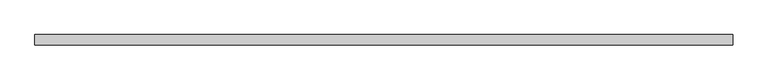
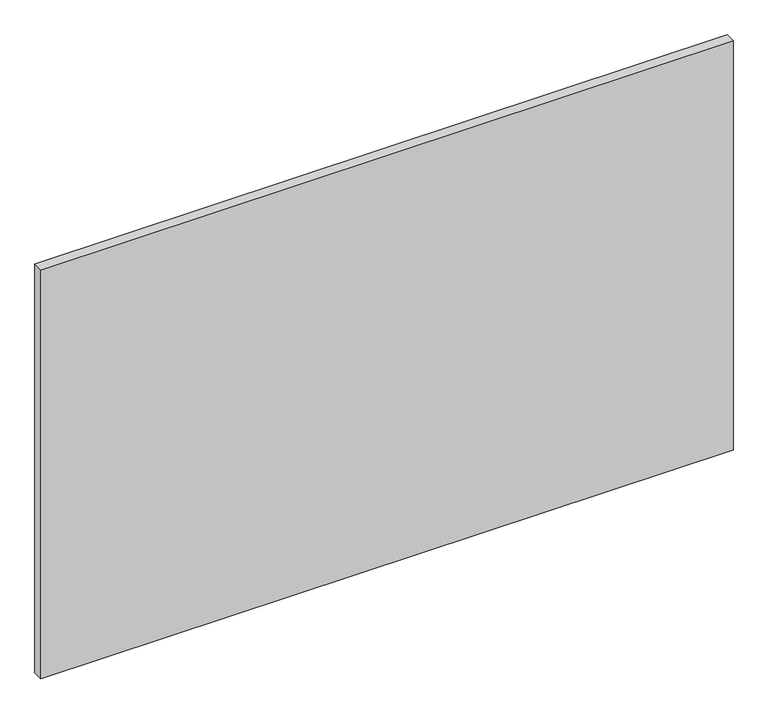
"""IFC4 building model written with IfcOpenShell, lengths in millimetres: proxy geometry."""

from ifc_helpers import new_model, si_unit, frame, origin, place, context, project, spatial, polyline, outline, extrude, source, transform, mapped, element, save


def specialty_equipment_0c758196(model_context):
    return source(origin(), model_context, "Body", "SweptSolid", [
        extrude(outline(polyline([(639.4749999, 0.0), (-639.4749999, 0.0), (-639.4749999, 19.05), (639.4749999, 19.05), (639.4749999, 0.0)])), frame((0.0, 0.0, 3.175), z_axis=(0.0, 0.0, 1.0), x_axis=(1.0, 0.0, 0.0)), (0.0, 0.0, 1.0), 799.2618001),
    ])


if __name__ == "__main__":
    model = new_model("IFC4")
    model_context = context("Model", 3, world=origin())
    ifc_project = project(units=[si_unit("LENGTHUNIT", "METRE", prefix="MILLI")], contexts=[model_context])
    site = spatial("IfcSite", under=ifc_project)
    building = spatial("IfcBuilding", under=site)
    placement = place(None, origin())
    specialty_equipment_shape = specialty_equipment_0c758196(model_context)
    element("IfcBuildingElementProxy", 1, Name="Specialty Equipment", at=placement, inside=building, context=model_context, shape_type="MappedRepresentation", body=[
        mapped(specialty_equipment_shape, transform((0.0, 0.0, 0.0), x_axis=(1.0, 0.0, 0.0), y_axis=(0.0, 1.0, 0.0), z_axis=(0.0, 0.0, 1.0))),
    ])
    save(model, "model.ifc")
